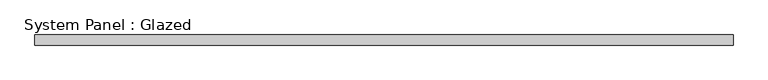
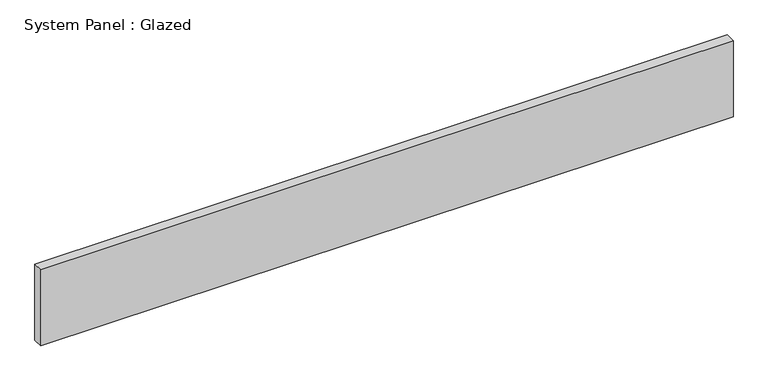
"""IFC4 building model written with IfcOpenShell, lengths in millimetres: plate geometry, System Panel : Glazed."""

from ifc_helpers import new_model, si_unit, origin, origin_with_axes, place, context, project, spatial, polyline, outline, extrude, source, transform, mapped, element, save


def system_panel_glazed_38ef6ab9(model_context):
    return source(origin(), model_context, "Body", "SweptSolid", [
        extrude(outline(polyline([(862.0, 24.5), (-862.0, 24.5), (-862.0, 49.5), (862.0, 49.5), (862.0, 24.5)])), origin_with_axes(), (0.0, 0.0, 1.0), 200.0),
    ])


if __name__ == "__main__":
    model = new_model("IFC4")
    model_context = context("Model", 3, world=origin())
    ifc_project = project(units=[si_unit("LENGTHUNIT", "METRE", prefix="MILLI")], contexts=[model_context])
    site = spatial("IfcSite", under=ifc_project)
    building = spatial("IfcBuilding", under=site)
    placement = place(None, origin())
    system_panel_glazed_shape = system_panel_glazed_38ef6ab9(model_context)
    element("IfcPlate", 1, ObjectType="System Panel : Glazed", at=placement, inside=building, context=model_context, shape_type="MappedRepresentation", body=[
        mapped(system_panel_glazed_shape, transform((0.0, 0.0, 0.0), x_axis=(1.0, 0.0, 0.0), y_axis=(0.0, 1.0, 0.0), z_axis=(0.0, 0.0, 1.0))),
    ])
    save(model, "model.ifc")
